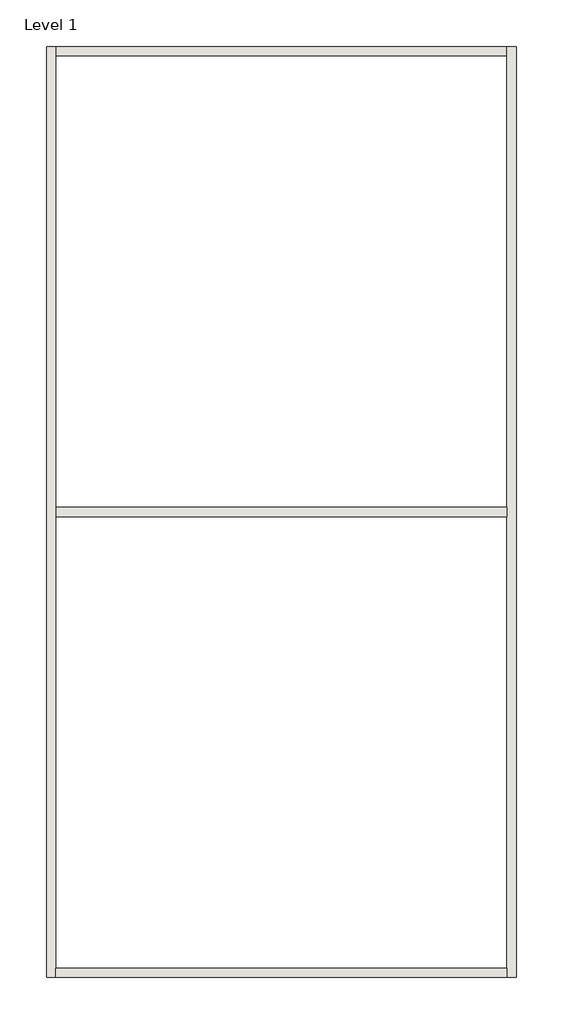
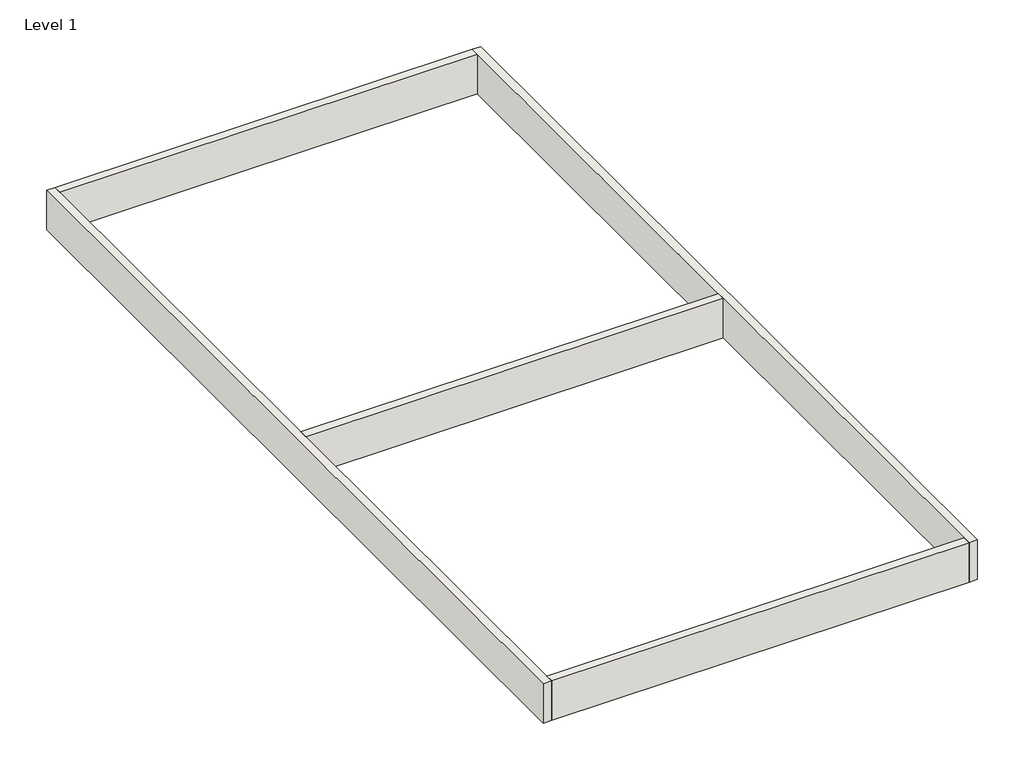
# One storey: 5 walls.
"""IFC4 building model written with IfcOpenShell, lengths in millimetres."""

from ifc_helpers import new_model, si_unit, origin, origin_with_axes, place, context, project, spatial, polyline, outline, extrude, faceted_brep, element, save

model = new_model("IFC4")

# Units and contexts
model_context = context("Model", 3, world=origin())
ifc_project = project(units=[si_unit("LENGTHUNIT", "METRE", prefix="MILLI")], contexts=[model_context])

# Site, building, storey
site = spatial("IfcSite", under=ifc_project)
building = spatial("IfcBuilding", under=site)
storey = spatial("IfcBuildingStorey", under=building, Name="Level 1", Elevation=0.0)

# Walls
placement = place(None, origin())
element("IfcWall", 1, ObjectType="Generic - 200mm", at=placement, inside=storey, context=model_context, shape_type="Brep", body=[
    faceted_brep([(-489.5917796, 12716.2037899, 0.0), (-489.5917796, 12516.2037899, 0.0), (-489.5917796, 2516.2037899, 0.0), (-489.5917796, 2316.2037899, 0.0), (-489.5917796, -7683.7962101, 0.0), (-489.5917796, -7883.7962101, 0.0), (-489.5917796, -7883.7962101, 1000.0), (-489.5917796, -7683.7962101, 1000.0), (-489.5917796, 2316.2037899, 1000.0), (-489.5917796, 2516.2037899, 1000.0), (-489.5917796, 12516.2037899, 1000.0), (-489.5917796, 12716.2037899, 1000.0), (-289.5917796, 12716.2037899, 0.0), (-289.5917796, 12716.2037899, 1000.0), (-289.5917796, -7883.7962101, 1000.0), (-289.5917796, -7883.7962101, 0.0)], [[[0, 1, 2, 3, 4, 5, 6, 7, 8, 9, 10, 11]], [[12, 13, 14, 15]], [[5, 4, 3, 2, 1, 0, 12, 15]], [[11, 10, 9, 8, 7, 6, 14, 13]], [[6, 5, 15, 14]], [[0, 11, 13, 12]]]),
])
element("IfcWall", 2, ObjectType="Generic - 200mm", at=placement, inside=storey, context=model_context, shape_type="Brep", body=[
    faceted_brep([(-10489.5917796, -7883.7962101, 0.0), (-10489.5917796, -7683.7962101, 0.0), (-10489.5917796, 2316.2037899, 0.0), (-10489.5917796, 2516.2037899, 0.0), (-10489.5917796, 12516.2037899, 0.0), (-10489.5917796, 12716.2037899, 0.0), (-10489.5917796, 12716.2037899, 1000.0), (-10489.5917796, 12516.2037899, 1000.0), (-10489.5917796, 2516.2037899, 1000.0), (-10489.5917796, 2316.2037899, 1000.0), (-10489.5917796, -7683.7962101, 1000.0), (-10489.5917796, -7883.7962101, 1000.0), (-10689.5917796, -7883.7962101, 0.0), (-10689.5917796, -7883.7962101, 1000.0), (-10689.5917796, 12716.2037899, 1000.0), (-10689.5917796, 12716.2037899, 0.0)], [[[0, 1, 2, 3, 4, 5, 6, 7, 8, 9, 10, 11]], [[12, 13, 14, 15]], [[5, 4, 3, 2, 1, 0, 12, 15]], [[11, 10, 9, 8, 7, 6, 14, 13]], [[0, 11, 13, 12]], [[6, 5, 15, 14]]]),
])
element("IfcWall", 3, ObjectType="Generic - 200mm", at=placement, inside=storey, context=model_context, shape_type="SweptSolid", body=[
    extrude(outline(polyline([(-10489.5917796, 2516.2037899), (-489.5917796, 2516.2037899), (-489.5917796, 2316.2037899), (-10489.5917796, 2316.2037899), (-10489.5917796, 2516.2037899)])), origin_with_axes(), (0.0, 0.0, 1.0), 1000.0),
])
element("IfcWall", 4, ObjectType="Generic - 200mm", at=placement, inside=storey, context=model_context, shape_type="SweptSolid", body=[
    extrude(outline(polyline([(-489.5917796, -7883.7962101), (-10489.5917796, -7883.7962101), (-10489.5917796, -7683.7962101), (-489.5917796, -7683.7962101), (-489.5917796, -7883.7962101)])), origin_with_axes(), (0.0, 0.0, 1.0), 1000.0),
])
element("IfcWall", 5, ObjectType="Generic - 200mm", at=placement, inside=storey, context=model_context, shape_type="SweptSolid", body=[
    extrude(outline(polyline([(-489.5917796, 12516.2037899), (-10489.5917796, 12516.2037899), (-10489.5917796, 12716.2037899), (-489.5917796, 12716.2037899), (-489.5917796, 12516.2037899)])), origin_with_axes(), (0.0, 0.0, 1.0), 1000.0),
])

save(model, "model.ifc")
